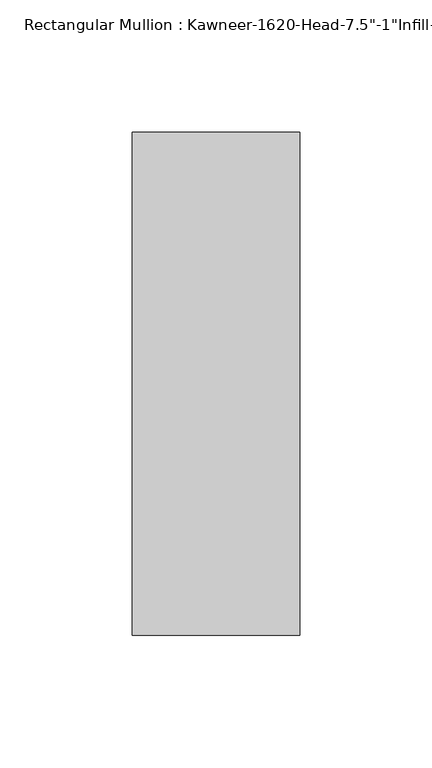
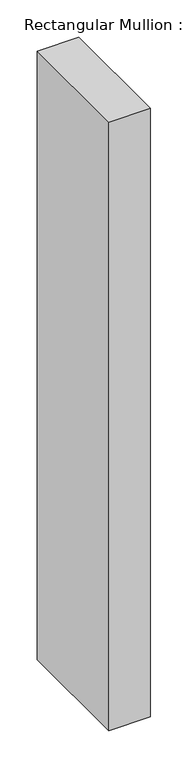
"""IFC4 building model written with IfcOpenShell, lengths in millimetres: member geometry."""

from ifc_helpers import new_model, si_unit, frame, origin, place, context, project, spatial, polyline, outline, extrude, source, transform, mapped, element, save


def member_16af40c2(model_context):
    return source(origin(), model_context, "Body", "SweptSolid", [
        extrude(outline(polyline([(-22.225, 38.1), (41.275, 38.1), (41.275, -152.4), (-22.225, -152.4), (-22.225, 38.1)])), frame((0.0, 0.0, -990.6), z_axis=(0.0, 0.0, 1.0), x_axis=(1.0, 0.0, 0.0)), (0.0, 0.0, 1.0), 990.6),
    ])


if __name__ == "__main__":
    model = new_model("IFC4")
    model_context = context("Model", 3, world=origin())
    ifc_project = project(units=[si_unit("LENGTHUNIT", "METRE", prefix="MILLI")], contexts=[model_context])
    site = spatial("IfcSite", under=ifc_project)
    building = spatial("IfcBuilding", under=site)
    placement = place(None, origin())
    member_shape = member_16af40c2(model_context)
    element("IfcMember", 1, ObjectType="Rectangular Mullion : Kawneer-1620-Head-7.5\"-1\"Infill-1A", at=placement, inside=building, context=model_context, shape_type="MappedRepresentation", body=[
        mapped(member_shape, transform((0.0, 0.0, 0.0), x_axis=(1.0, 0.0, 0.0), y_axis=(0.0, 1.0, 0.0), z_axis=(0.0, 0.0, 1.0))),
    ])
    save(model, "model.ifc")
